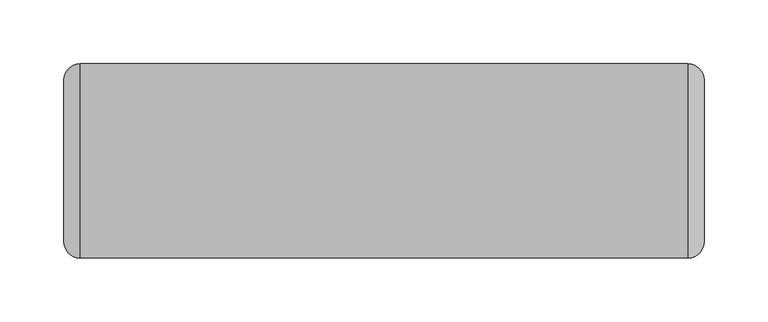
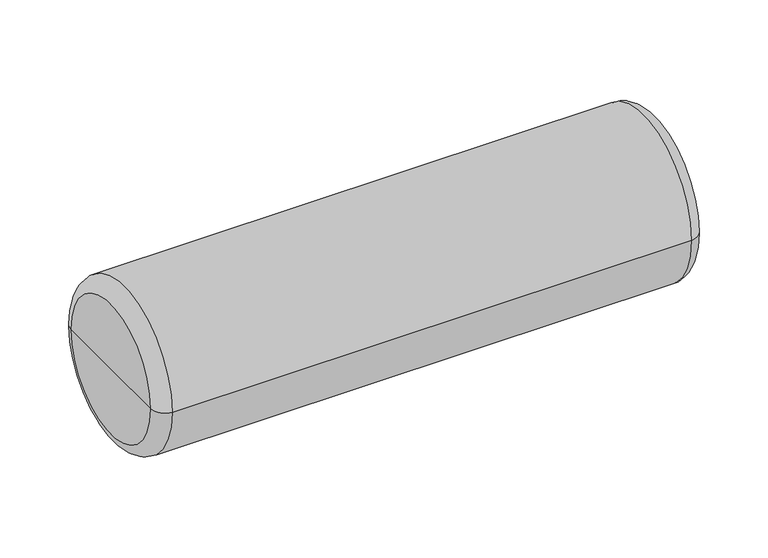
"""IFC4 building model written with IfcOpenShell, lengths in millimetres: furniture geometry."""

from ifc_helpers import new_model, si_unit, point, frame, origin, place, context, project, spatial, circle_curve, ellipse_curve, trimmed, source, transform, mapped, element, save
from ifc_brep_helpers import plane_surface, cylinder_surface, revolved_surface, advanced_brep


def furniture_58966739(model_context):
    return source(origin(), model_context, "Body", "AdvancedBrep", [
        advanced_brep(
        [(0.0, 273.05, 444.5), (0.0, 425.45, 444.5), (476.25, 425.45, 444.5), (476.25, 273.05, 444.5), (-12.7, 285.75, 444.5), (-12.7, 412.75, 444.5), (-12.7, 349.25, 444.5), (488.95, 285.75, 444.5), (488.95, 412.75, 444.5), (488.95, 349.25, 444.5)],
        [
            (0, 1, circle_curve(frame((0.0, 349.25, 444.5), z_axis=(1.0, 0.0, 0.0), x_axis=(0.0, 1.0, 0.0)), 76.2)),
            (1, 2),
            (2, 3, circle_curve(frame((476.25, 349.25, 444.5), z_axis=(-1.0, 0.0, 0.0), x_axis=(0.0, 1.0, 0.0)), 76.2)),
            (3, 0),
            (1, 0, circle_curve(frame((0.0, 349.25, 444.5), z_axis=(1.0, 0.0, 0.0), x_axis=(0.0, 1.0, 0.0)), 76.2)),
            (3, 2, circle_curve(frame((476.25, 349.25, 444.5), z_axis=(-1.0, 0.0, 0.0), x_axis=(0.0, 1.0, 0.0)), 76.2)),
            (4, 5, circle_curve(frame((-12.7, 349.25, 444.5), z_axis=(1.0, 0.0, 0.0), x_axis=(0.0, 1.0, 0.0)), 63.5)),
            (5, 1, circle_curve(frame((0.0, 412.75, 444.5), z_axis=(0.0, 0.0, -1.0), x_axis=(-1.0, 0.0, 0.0)), 12.7)),
            (0, 4, circle_curve(frame((0.0, 285.75, 444.5), z_axis=(0.0, 0.0, -1.0), x_axis=(-1.0, 0.0, 0.0)), 12.7)),
            (5, 4, circle_curve(frame((-12.7, 349.25, 444.5), z_axis=(1.0, 0.0, 0.0), x_axis=(0.0, 1.0, 0.0)), 63.5)),
            (6, 5),
            (4, 6),
            (7, 8, circle_curve(frame((488.95, 349.25, 444.5), z_axis=(1.0, 0.0, 0.0), x_axis=(0.0, 1.0, 0.0)), 63.5)),
            (8, 9),
            (9, 7),
            (8, 7, circle_curve(frame((488.95, 349.25, 444.5), z_axis=(1.0, 0.0, 0.0), x_axis=(0.0, 1.0, 0.0)), 63.5)),
            (2, 8, circle_curve(frame((476.25, 412.75, 444.5), z_axis=(0.0, 0.0, -1.0), x_axis=(-1.0, 0.0, 0.0)), 12.7)),
            (7, 3, circle_curve(frame((476.25, 285.75, 444.5), z_axis=(0.0, 0.0, -1.0), x_axis=(-1.0, 0.0, 0.0)), 12.7)),
        ],
        [
            cylinder_surface(frame((-253.3982589, 349.25, 444.5), z_axis=(-1.0, 0.0, 0.0), x_axis=(0.0, 1.0, 0.0)), 76.2),
            revolved_surface(trimmed(ellipse_curve(frame((0.0, 412.75, 444.5), z_axis=(0.0, 0.0, 1.0), x_axis=(-1.0, 0.0, 0.0)), 12.7, 12.7), [point((0.0, 425.45, 444.5))], [point((-12.7, 412.75, 444.5))], True, "CARTESIAN"), (-253.3982589, 349.25, 444.5), (-1.0, 0.0, 0.0)),
            plane_surface(frame((-12.7, 349.25, 444.5), z_axis=(-1.0, 0.0, 0.0), x_axis=(0.0, 1.0, 0.0))),
            plane_surface(frame((488.95, 349.25, 444.5), z_axis=(1.0, 0.0, 0.0), x_axis=(0.0, 1.0, 0.0))),
            revolved_surface(trimmed(ellipse_curve(frame((476.25, 412.75, 444.5), z_axis=(0.0, 0.0, 1.0), x_axis=(-1.0, 0.0, 0.0)), 12.7, 12.7), [point((488.95, 412.75, 444.5))], [point((476.25, 425.45, 444.5))], True, "CARTESIAN"), (-253.3982589, 349.25, 444.5), (-1.0, 0.0, 0.0)),
        ],
        [
            (0, [[1, 2, 3, 4]]),
            (0, [[5, -4, 6, -2]]),
            (1, [[7, 8, -1, 9]]),
            (1, [[10, -9, -5, -8]]),
            (2, [[11, -7, 12]]),
            (2, [[-12, -10, -11]]),
            (3, [[13, 14, 15]]),
            (3, [[16, -15, -14]]),
            (4, [[-3, 17, -13, 18]]),
            (4, [[-6, -18, -16, -17]]),
        ],
    ),
    ])


if __name__ == "__main__":
    model = new_model("IFC4")
    model_context = context("Model", 3, world=origin())
    ifc_project = project(units=[si_unit("LENGTHUNIT", "METRE", prefix="MILLI")], contexts=[model_context])
    site = spatial("IfcSite", under=ifc_project)
    building = spatial("IfcBuilding", under=site)
    placement = place(None, origin())
    furniture_shape = furniture_58966739(model_context)
    element("IfcFurniture", 1, at=placement, inside=building, context=model_context, shape_type="MappedRepresentation", body=[
        mapped(furniture_shape, transform((0.0, 0.0, 0.0), x_axis=(1.0, 0.0, 0.0), y_axis=(0.0, 1.0, 0.0), z_axis=(0.0, 0.0, 1.0))),
    ])
    save(model, "model.ifc")
